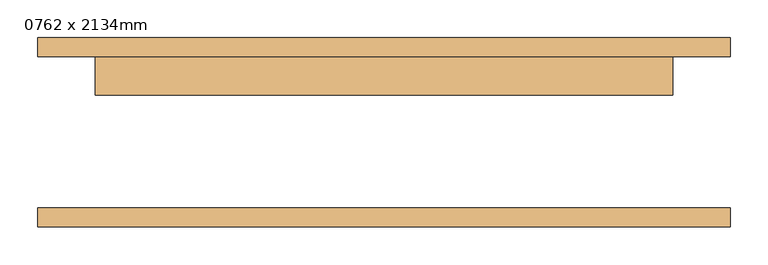
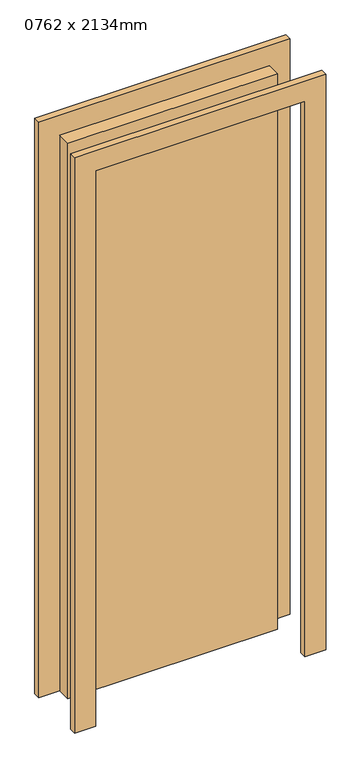
"""IFC4 building model written with IfcOpenShell, lengths in millimetres: door geometry, 0762 x 2134mm."""

from ifc_helpers import new_model, si_unit, frame, origin, origin_with_axes, place, context, project, spatial, polyline, outline, extrude, source, transform, mapped, element, save


def door_0762_x_2134mm_85379237(model_context):
    return source(origin(), model_context, "Body", "SweptSolid", [
        extrude(outline(polyline([(2210.0, -457.0), (0.0, -457.0), (0.0, -381.0), (2134.0, -381.0), (2134.0, 381.0), (0.0, 381.0), (0.0, 457.0), (2210.0, 457.0), (2210.0, -457.0)])), frame((0.0, 100.0, 0.0), z_axis=(0.0, 1.0, 0.0), x_axis=(0.0, 0.0, 1.0)), (0.0, 0.0, 1.0), 25.0),
        extrude(outline(polyline([(2210.0, 457.0), (2210.0, -457.0), (0.0, -457.0), (0.0, -381.0), (2134.0, -381.0), (2134.0, 381.0), (0.0, 381.0), (0.0, 457.0), (2210.0, 457.0)])), frame((0.0, -125.0, 0.0), z_axis=(0.0, 1.0, 0.0), x_axis=(0.0, 0.0, 1.0)), (0.0, 0.0, 1.0), 25.0),
        extrude(outline(polyline([(381.0, 49.0), (-381.0, 49.0), (-381.0, 100.0), (381.0, 100.0), (381.0, 49.0)])), origin_with_axes(), (0.0, 0.0, 1.0), 2134.0),
    ])


if __name__ == "__main__":
    model = new_model("IFC4")
    model_context = context("Model", 3, world=origin())
    ifc_project = project(units=[si_unit("LENGTHUNIT", "METRE", prefix="MILLI")], contexts=[model_context])
    site = spatial("IfcSite", under=ifc_project)
    building = spatial("IfcBuilding", under=site)
    placement = place(None, origin())
    door_0762_x_2134mm_shape = door_0762_x_2134mm_85379237(model_context)
    element("IfcDoor", 1, ObjectType="0762 x 2134mm", at=placement, inside=building, context=model_context, shape_type="MappedRepresentation", body=[
        mapped(door_0762_x_2134mm_shape, transform((0.0, 0.0, 0.0), x_axis=(1.0, 0.0, 0.0), y_axis=(0.0, 1.0, 0.0), z_axis=(0.0, 0.0, 1.0))),
    ])
    save(model, "model.ifc")
